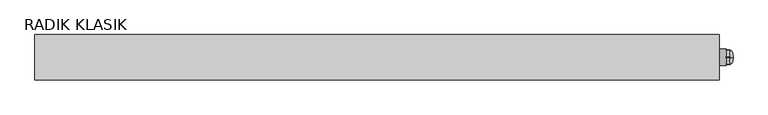
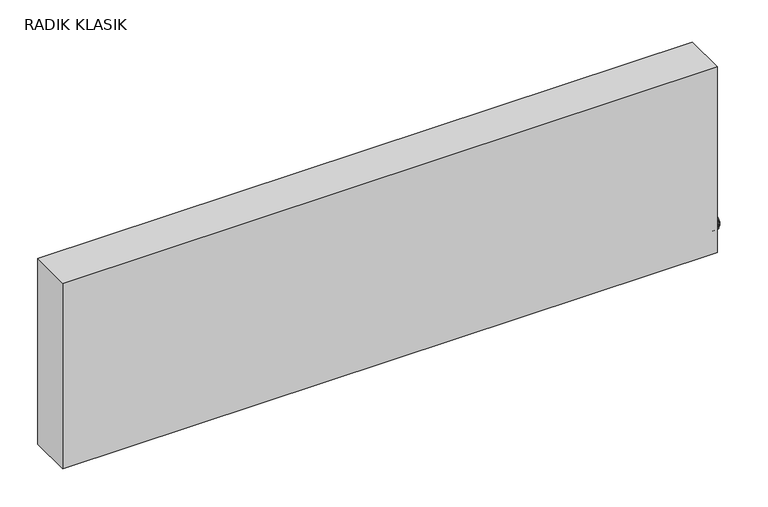
"""IFC4 building model written with IfcOpenShell, lengths in millimetres: proxy geometry, RADIK KLASIK."""

from ifc_helpers import new_model, si_unit, point, frame, frame_2d, origin, place, context, project, spatial, polyline, circle_curve, ellipse_curve, trimmed, segment, composite_curve, outline, extrude, source, transform, mapped, element, save
from ifc_brep_helpers import plane_surface, revolved_surface, advanced_brep


def radik_klasik_db57e7c0(model_context):
    return source(origin(), model_context, "Body", "SolidModel", [
        advanced_brep(
        [(515.0, -33.0, 114.2179803), (515.0, -33.0, 135.7820197), (519.9999931, -33.0, 125.0), (515.0, -33.0, 125.0)],
        [
            (0, 1, circle_curve(frame((515.0, -33.0, 125.0), z_axis=(1.0, 0.0, 0.0), x_axis=(0.0, 0.0, 1.0)), 10.7820197)),
            (1, 2, ellipse_curve(frame((515.0, -33.0, 124.9820197), z_axis=(0.0, 1.0, 0.0), x_axis=(0.0, 0.0, 1.0)), 10.8, 5.0)),
            (2, 0, ellipse_curve(frame((515.0, -33.0, 125.0179803), z_axis=(0.0, 1.0, 0.0), x_axis=(0.0, 0.0, -1.0)), 10.8, 5.0)),
            (1, 0, circle_curve(frame((515.0, -33.0, 125.0), z_axis=(1.0, 0.0, 0.0), x_axis=(0.0, 0.0, 1.0)), 10.7820197)),
            (3, 1),
            (0, 3),
        ],
        [
            revolved_surface(trimmed(ellipse_curve(frame((515.0, -33.0, 124.9820197), z_axis=(0.0, -1.0, 0.0), x_axis=(0.0, 0.0, 1.0)), 10.8, 5.0), [point((519.9999931, -33.0, 125.0))], [point((515.0, -33.0, 135.7820197))], True, "CARTESIAN"), (524.1201305, -33.0, 125.0), (-1.0, 0.0, 0.0)),
            plane_surface(frame((515.0, -33.0, 125.0), z_axis=(-1.0, 0.0, 0.0), x_axis=(0.0, 0.0, 1.0))),
        ],
        [
            (0, [[1, 2, 3]]),
            (0, [[4, -3, -2]]),
            (1, [[5, -1, 6]]),
            (1, [[-6, -4, -5]]),
        ],
    ),
        extrude(outline(composite_curve([segment(polyline([(-42.8970066, 131.7859606), (-33.928311, 136.9640394)]), True, "CONTINUOUS"), segment(trimmed(circle_curve(frame_2d((-33.0, 125.0)), 12.0), [point((-33.928311, 136.9640394))], [point((-32.071689, 136.9640394))], False, "CARTESIAN"), True, "CONTINUOUS"), segment(polyline([(-32.071689, 136.9640394), (-23.1029934, 131.7859606)]), True, "CONTINUOUS"), segment(trimmed(circle_curve(frame_2d((-33.0, 125.0)), 12.0), [point((-23.1029934, 131.7859606))], [point((-22.1746825, 130.1780788))], False, "CARTESIAN"), True, "CONTINUOUS"), segment(polyline([(-22.1746825, 130.1780788), (-22.1746825, 119.8219212)]), True, "CONTINUOUS"), segment(trimmed(circle_curve(frame_2d((-33.0, 125.0)), 12.0), [point((-22.1746825, 119.8219212))], [point((-23.1029934, 118.2140394))], False, "CARTESIAN"), True, "CONTINUOUS"), segment(polyline([(-23.1029934, 118.2140394), (-32.071689, 113.0359606)]), True, "CONTINUOUS"), segment(trimmed(circle_curve(frame_2d((-33.0, 125.0)), 12.0), [point((-32.071689, 113.0359606))], [point((-33.928311, 113.0359606))], False, "CARTESIAN"), True, "CONTINUOUS"), segment(polyline([(-33.928311, 113.0359606), (-42.8970066, 118.2140394)]), True, "CONTINUOUS"), segment(trimmed(circle_curve(frame_2d((-33.0, 125.0)), 12.0), [point((-42.8970066, 118.2140394))], [point((-43.8253175, 119.8219212))], False, "CARTESIAN"), True, "CONTINUOUS"), segment(polyline([(-43.8253175, 119.8219212), (-43.8253175, 130.1780788)]), True, "CONTINUOUS"), segment(trimmed(circle_curve(frame_2d((-33.0, 125.0)), 12.0), [point((-43.8253175, 130.1780788))], [point((-42.8970066, 131.7859606))], False, "CARTESIAN"), True, "CONTINUOUS")], self_intersect=False)), frame((510.0, 0.0, 0.0), z_axis=(1.0, 0.0, 0.0), x_axis=(0.0, 1.0, 0.0)), (0.0, 0.0, 1.0), 5.0),
        extrude(outline(composite_curve([segment(trimmed(circle_curve(frame_2d((-33.0, 125.0)), 12.0), [point((-45.0, 125.0))], [point((-21.0, 125.0))], False, "CARTESIAN"), True, "CONTINUOUS"), segment(trimmed(circle_curve(frame_2d((-33.0, 125.0)), 12.0), [point((-21.0, 125.0))], [point((-45.0, 125.0))], False, "CARTESIAN"), True, "CONTINUOUS")], self_intersect=False)), frame((500.0, 0.0, 0.0), z_axis=(1.0, 0.0, 0.0), x_axis=(0.0, 1.0, 0.0)), (0.0, 0.0, 1.0), 10.0),
        extrude(outline(polyline([(500.0, 0.0), (500.0, -66.0), (-500.0, -66.0), (-500.0, 0.0), (500.0, 0.0)])), frame((0.0, 0.0, 100.0), z_axis=(0.0, 0.0, 1.0), x_axis=(1.0, 0.0, 0.0)), (0.0, 0.0, 1.0), 300.0),
    ])


if __name__ == "__main__":
    model = new_model("IFC4")
    model_context = context("Model", 3, world=origin())
    ifc_project = project(units=[si_unit("LENGTHUNIT", "METRE", prefix="MILLI")], contexts=[model_context])
    site = spatial("IfcSite", under=ifc_project)
    building = spatial("IfcBuilding", under=site)
    placement = place(None, origin())
    radik_klasik_shape = radik_klasik_db57e7c0(model_context)
    element("IfcBuildingElementProxy", 1, Name="RADIK KLASIK", ObjectType="RADIK KLASIK", at=placement, inside=building, context=model_context, shape_type="MappedRepresentation", body=[
        mapped(radik_klasik_shape, transform((0.0, 0.0, 0.0), x_axis=(1.0, 0.0, 0.0), y_axis=(0.0, 1.0, 0.0), z_axis=(0.0, 0.0, 1.0))),
    ])
    save(model, "model.ifc")
